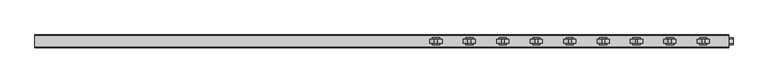
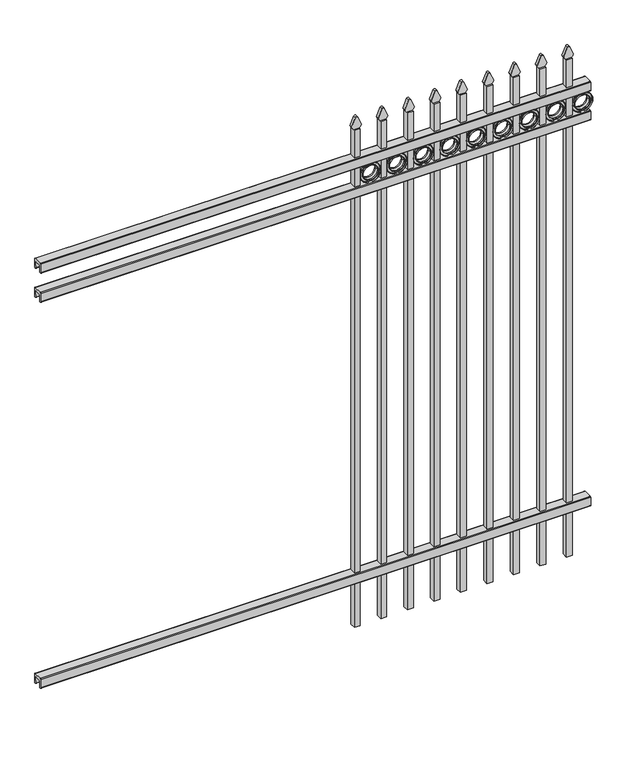
"""IFC4 building model written with IfcOpenShell, lengths in millimetres: railing geometry."""

from ifc_helpers import new_model, si_unit, point, frame, frame_2d, origin, place, context, project, spatial, polyline, circle_curve, trimmed, segment, composite_curve, outline, extrude, source, transform, mapped, element, save


def railing_517712b8(model_context):
    return source(origin(), model_context, "Body", "SweptSolid", [
        extrude(outline(composite_curve([segment(polyline([(7301.9139761, 304.8), (7339.969541, 304.8)]), True, "CONTINUOUS"), segment(trimmed(circle_curve(frame_2d((7339.969541, 301.625)), 3.175), [point((7339.969541, 304.8))], [point((7343.144541, 301.625))], False, "CARTESIAN"), True, "CONTINUOUS"), segment(polyline([(7343.144541, 301.625), (7343.144541, 262.1439893)]), True, "CONTINUOUS"), segment(trimmed(circle_curve(frame_2d((7341.3505518, 262.1439893)), 1.7939893), [point((7343.144541, 262.1439893))], [point((7341.3505518, 260.35))], False, "CARTESIAN"), True, "CONTINUOUS"), segment(polyline([(7341.3505518, 260.35), (7338.7590713, 260.35)]), True, "CONTINUOUS"), segment(trimmed(circle_curve(frame_2d((7338.7590713, 262.1359375)), 1.7859375), [point((7338.7590713, 260.35))], [point((7336.9755813, 262.0424688))], False, "CARTESIAN"), True, "CONTINUOUS"), segment(polyline([(7336.9755813, 262.0424688), (7335.4025867, 292.0569942), (7306.4364954, 292.0569942), (7304.8635007, 262.0424688)]), True, "CONTINUOUS"), segment(trimmed(circle_curve(frame_2d((7303.0800108, 262.1359375)), 1.7859375), [point((7304.8635007, 262.0424688))], [point((7303.0800108, 260.35))], False, "CARTESIAN"), True, "CONTINUOUS"), segment(polyline([(7303.0800108, 260.35), (7300.4804785, 260.35)]), True, "CONTINUOUS"), segment(trimmed(circle_curve(frame_2d((7300.4804785, 262.1359375)), 1.7859375), [point((7300.4804785, 260.35))], [point((7298.694541, 262.1359375))], False, "CARTESIAN"), True, "CONTINUOUS"), segment(polyline([(7298.694541, 262.1359375), (7298.694541, 301.5805649)]), True, "CONTINUOUS"), segment(trimmed(circle_curve(frame_2d((7301.9139761, 301.5805649)), 3.2194351), [point((7298.694541, 301.5805649))], [point((7301.9139761, 304.8))], False, "CARTESIAN"), True, "CONTINUOUS")], self_intersect=False)), frame((-23871.4649936, 0.0, 0.0), z_axis=(1.0, 0.0, 0.0), x_axis=(0.0, 1.0, 0.0)), (0.0, 0.0, 1.0), 2438.4),
        extrude(outline(composite_curve([segment(polyline([(7301.9139761, 2112.9625), (7339.969541, 2112.9625)]), True, "CONTINUOUS"), segment(trimmed(circle_curve(frame_2d((7339.969541, 2109.7875)), 3.175), [point((7339.969541, 2112.9625))], [point((7343.144541, 2109.7875))], False, "CARTESIAN"), True, "CONTINUOUS"), segment(polyline([(7343.144541, 2109.7875), (7343.144541, 2070.3064893)]), True, "CONTINUOUS"), segment(trimmed(circle_curve(frame_2d((7341.3505518, 2070.3064893)), 1.7939893), [point((7343.144541, 2070.3064893))], [point((7341.3505518, 2068.5125))], False, "CARTESIAN"), True, "CONTINUOUS"), segment(polyline([(7341.3505518, 2068.5125), (7338.7590713, 2068.5125)]), True, "CONTINUOUS"), segment(trimmed(circle_curve(frame_2d((7338.7590713, 2070.2984375)), 1.7859375), [point((7338.7590713, 2068.5125))], [point((7336.9755813, 2070.2049688))], False, "CARTESIAN"), True, "CONTINUOUS"), segment(polyline([(7336.9755813, 2070.2049688), (7335.4025867, 2100.2194942), (7306.4364954, 2100.2194942), (7304.8635007, 2070.2049688)]), True, "CONTINUOUS"), segment(trimmed(circle_curve(frame_2d((7303.0800108, 2070.2984375)), 1.7859375), [point((7304.8635007, 2070.2049688))], [point((7303.0800108, 2068.5125))], False, "CARTESIAN"), True, "CONTINUOUS"), segment(polyline([(7303.0800108, 2068.5125), (7300.4804785, 2068.5125)]), True, "CONTINUOUS"), segment(trimmed(circle_curve(frame_2d((7300.4804785, 2070.2984375)), 1.7859375), [point((7300.4804785, 2068.5125))], [point((7298.694541, 2070.2984375))], False, "CARTESIAN"), True, "CONTINUOUS"), segment(polyline([(7298.694541, 2070.2984375), (7298.694541, 2109.7430649)]), True, "CONTINUOUS"), segment(trimmed(circle_curve(frame_2d((7301.9139761, 2109.7430649)), 3.2194351), [point((7298.694541, 2109.7430649))], [point((7301.9139761, 2112.9625))], False, "CARTESIAN"), True, "CONTINUOUS")], self_intersect=False)), frame((-23871.4649936, 0.0, 0.0), z_axis=(1.0, 0.0, 0.0), x_axis=(0.0, 1.0, 0.0)), (0.0, 0.0, 1.0), 2438.4),
        extrude(outline(composite_curve([segment(polyline([(7301.9139761, 2249.4875), (7339.969541, 2249.4875)]), True, "CONTINUOUS"), segment(trimmed(circle_curve(frame_2d((7339.969541, 2246.3125)), 3.175), [point((7339.969541, 2249.4875))], [point((7343.144541, 2246.3125))], False, "CARTESIAN"), True, "CONTINUOUS"), segment(polyline([(7343.144541, 2246.3125), (7343.144541, 2206.8314893)]), True, "CONTINUOUS"), segment(trimmed(circle_curve(frame_2d((7341.3505518, 2206.8314893)), 1.7939893), [point((7343.144541, 2206.8314893))], [point((7341.3505518, 2205.0375))], False, "CARTESIAN"), True, "CONTINUOUS"), segment(polyline([(7341.3505518, 2205.0375), (7338.7590713, 2205.0375)]), True, "CONTINUOUS"), segment(trimmed(circle_curve(frame_2d((7338.7590713, 2206.8234375)), 1.7859375), [point((7338.7590713, 2205.0375))], [point((7336.9755813, 2206.7299688))], False, "CARTESIAN"), True, "CONTINUOUS"), segment(polyline([(7336.9755813, 2206.7299688), (7335.4025867, 2236.7444942), (7306.4364954, 2236.7444942), (7304.8635007, 2206.7299688)]), True, "CONTINUOUS"), segment(trimmed(circle_curve(frame_2d((7303.0800108, 2206.8234375)), 1.7859375), [point((7304.8635007, 2206.7299688))], [point((7303.0800108, 2205.0375))], False, "CARTESIAN"), True, "CONTINUOUS"), segment(polyline([(7303.0800108, 2205.0375), (7300.4804785, 2205.0375)]), True, "CONTINUOUS"), segment(trimmed(circle_curve(frame_2d((7300.4804785, 2206.8234375)), 1.7859375), [point((7300.4804785, 2205.0375))], [point((7298.694541, 2206.8234375))], False, "CARTESIAN"), True, "CONTINUOUS"), segment(polyline([(7298.694541, 2206.8234375), (7298.694541, 2246.2680649)]), True, "CONTINUOUS"), segment(trimmed(circle_curve(frame_2d((7301.9139761, 2246.2680649)), 3.2194351), [point((7298.694541, 2246.2680649))], [point((7301.9139761, 2249.4875))], False, "CARTESIAN"), True, "CONTINUOUS")], self_intersect=False)), frame((-23871.4649936, 0.0, 0.0), z_axis=(1.0, 0.0, 0.0), x_axis=(0.0, 1.0, 0.0)), (0.0, 0.0, 1.0), 2438.4),
        extrude(outline(composite_curve([segment(polyline([(2379.0798417, -21534.6649936), (2379.0798417, -21508.9743116)]), True, "CONTINUOUS"), segment(trimmed(circle_curve(frame_2d((2397.3299402, -21523.1372336)), 23.1009622), [point((2379.0798417, -21508.9743116))], [point((2391.8676176, -21500.6913545))], False, "CARTESIAN"), True, "CONTINUOUS"), segment(polyline([(2391.8676176, -21500.6913545), (2432.3555225, -21517.0105644)]), True, "CONTINUOUS"), segment(trimmed(circle_curve(frame_2d((2429.2045804, -21522.1405764)), 6.0204202), [point((2432.3555225, -21517.0105644))], [point((2432.3555225, -21527.2705884))], False, "CARTESIAN"), True, "CONTINUOUS"), segment(polyline([(2432.3555225, -21527.2705884), (2393.1339948, -21543.2187724)]), True, "CONTINUOUS"), segment(trimmed(circle_curve(frame_2d((2397.3299402, -21520.5020716)), 23.1009622), [point((2393.1339948, -21543.2187724))], [point((2379.0798417, -21534.6649936))], False, "CARTESIAN"), True, "CONTINUOUS")], self_intersect=False)), frame((0.0, 7314.569541, 0.0), z_axis=(0.0, 1.0, 0.0), x_axis=(0.0, 0.0, 1.0)), (0.0, 0.0, 1.0), 12.7),
        extrude(outline(composite_curve([segment(trimmed(circle_curve(frame_2d((2156.5853669, -21463.1692595)), 45.6988591), [point((2156.5853669, -21417.4704004))], [point((2156.5853669, -21508.8681186))], False, "CARTESIAN"), True, "CONTINUOUS"), segment(trimmed(circle_curve(frame_2d((2156.5853669, -21463.1692595)), 45.6988591), [point((2156.5853669, -21508.8681186))], [point((2156.5853669, -21417.4704004))], False, "CARTESIAN"), True, "CONTINUOUS")], self_intersect=False), holes=[composite_curve([segment(trimmed(circle_curve(frame_2d((2156.5853669, -21463.1692595)), 33.0443887), [point((2156.5853669, -21430.1248708))], [point((2156.5853669, -21496.2136482))], True, "CARTESIAN"), True, "CONTINUOUS"), segment(trimmed(circle_curve(frame_2d((2156.5853669, -21463.1692595)), 33.0443887), [point((2156.5853669, -21496.2136482))], [point((2156.5853669, -21430.1248708))], True, "CARTESIAN"), True, "CONTINUOUS")], self_intersect=False)]), frame((0.0, 7314.569541, 0.0), z_axis=(0.0, 1.0, 0.0), x_axis=(0.0, 0.0, 1.0)), (0.0, 0.0, 1.0), 12.7),
        extrude(outline(polyline([(-21534.6649936, 7333.619541), (-21509.2649936, 7333.619541), (-21509.2649936, 7308.219541), (-21534.6649936, 7308.219541), (-21534.6649936, 7333.619541)])), frame((0.0, 0.0, 50.8), z_axis=(0.0, 0.0, 1.0), x_axis=(1.0, 0.0, 0.0)), (0.0, 0.0, 1.0), 2328.0579232),
        extrude(outline(composite_curve([segment(trimmed(circle_curve(frame_2d((2156.5853669, -21463.1692595)), 45.6988591), [point((2156.5853669, -21417.4704004))], [point((2156.5853669, -21508.8681186))], False, "CARTESIAN"), True, "CONTINUOUS"), segment(trimmed(circle_curve(frame_2d((2156.5853669, -21463.1692595)), 45.6988591), [point((2156.5853669, -21508.8681186))], [point((2156.5853669, -21417.4704004))], False, "CARTESIAN"), True, "CONTINUOUS")], self_intersect=False), holes=[composite_curve([segment(trimmed(circle_curve(frame_2d((2156.5853669, -21463.1692595)), 44.101539), [point((2156.5853669, -21419.0677205))], [point((2156.5853669, -21507.2707985))], True, "CARTESIAN"), True, "CONTINUOUS"), segment(trimmed(circle_curve(frame_2d((2156.5853669, -21463.1692595)), 44.101539), [point((2156.5853669, -21507.2707985))], [point((2156.5853669, -21419.0677205))], True, "CARTESIAN"), True, "CONTINUOUS")], self_intersect=False)]), frame((0.0, 7308.219541, 0.0), z_axis=(0.0, 1.0, 0.0), x_axis=(0.0, 0.0, 1.0)), (0.0, 0.0, 1.0), 25.4),
        extrude(outline(composite_curve([segment(trimmed(circle_curve(frame_2d((2156.5853669, -21463.1692595)), 34.6370762), [point((2156.5853669, -21428.5321833))], [point((2156.5853669, -21497.8063357))], False, "CARTESIAN"), True, "CONTINUOUS"), segment(trimmed(circle_curve(frame_2d((2156.5853669, -21463.1692595)), 34.6370762), [point((2156.5853669, -21497.8063357))], [point((2156.5853669, -21428.5321833))], False, "CARTESIAN"), True, "CONTINUOUS")], self_intersect=False), holes=[composite_curve([segment(trimmed(circle_curve(frame_2d((2156.5853669, -21463.1692595)), 33.0443887), [point((2156.5853669, -21430.1248708))], [point((2156.5853669, -21496.2136482))], True, "CARTESIAN"), True, "CONTINUOUS"), segment(trimmed(circle_curve(frame_2d((2156.5853669, -21463.1692595)), 33.0443887), [point((2156.5853669, -21496.2136482))], [point((2156.5853669, -21430.1248708))], True, "CARTESIAN"), True, "CONTINUOUS")], self_intersect=False)]), frame((0.0, 7308.219541, 0.0), z_axis=(0.0, 1.0, 0.0), x_axis=(0.0, 0.0, 1.0)), (0.0, 0.0, 1.0), 25.4),
        extrude(outline(composite_curve([segment(polyline([(2379.0798417, -21652.1399936), (2379.0798417, -21626.4493116)]), True, "CONTINUOUS"), segment(trimmed(circle_curve(frame_2d((2397.3299402, -21640.6122336)), 23.1009622), [point((2379.0798417, -21626.4493116))], [point((2391.8676176, -21618.1663545))], False, "CARTESIAN"), True, "CONTINUOUS"), segment(polyline([(2391.8676176, -21618.1663545), (2432.3555225, -21634.4855644)]), True, "CONTINUOUS"), segment(trimmed(circle_curve(frame_2d((2429.2045804, -21639.6155764)), 6.0204202), [point((2432.3555225, -21634.4855644))], [point((2432.3555225, -21644.7455884))], False, "CARTESIAN"), True, "CONTINUOUS"), segment(polyline([(2432.3555225, -21644.7455884), (2393.1339948, -21660.6937724)]), True, "CONTINUOUS"), segment(trimmed(circle_curve(frame_2d((2397.3299402, -21637.9770716)), 23.1009622), [point((2393.1339948, -21660.6937724))], [point((2379.0798417, -21652.1399936))], False, "CARTESIAN"), True, "CONTINUOUS")], self_intersect=False)), frame((0.0, 7314.569541, 0.0), z_axis=(0.0, 1.0, 0.0), x_axis=(0.0, 0.0, 1.0)), (0.0, 0.0, 1.0), 12.7),
        extrude(outline(composite_curve([segment(trimmed(circle_curve(frame_2d((2156.5853669, -21580.6442595)), 45.6988591), [point((2156.5853669, -21534.9454004))], [point((2156.5853669, -21626.3431186))], False, "CARTESIAN"), True, "CONTINUOUS"), segment(trimmed(circle_curve(frame_2d((2156.5853669, -21580.6442595)), 45.6988591), [point((2156.5853669, -21626.3431186))], [point((2156.5853669, -21534.9454004))], False, "CARTESIAN"), True, "CONTINUOUS")], self_intersect=False), holes=[composite_curve([segment(trimmed(circle_curve(frame_2d((2156.5853669, -21580.6442595)), 33.0443887), [point((2156.5853669, -21547.5998708))], [point((2156.5853669, -21613.6886482))], True, "CARTESIAN"), True, "CONTINUOUS"), segment(trimmed(circle_curve(frame_2d((2156.5853669, -21580.6442595)), 33.0443887), [point((2156.5853669, -21613.6886482))], [point((2156.5853669, -21547.5998708))], True, "CARTESIAN"), True, "CONTINUOUS")], self_intersect=False)]), frame((0.0, 7314.569541, 0.0), z_axis=(0.0, 1.0, 0.0), x_axis=(0.0, 0.0, 1.0)), (0.0, 0.0, 1.0), 12.7),
        extrude(outline(polyline([(-21652.1399936, 7333.619541), (-21626.7399936, 7333.619541), (-21626.7399936, 7308.219541), (-21652.1399936, 7308.219541), (-21652.1399936, 7333.619541)])), frame((0.0, 0.0, 50.8), z_axis=(0.0, 0.0, 1.0), x_axis=(1.0, 0.0, 0.0)), (0.0, 0.0, 1.0), 2328.0579232),
        extrude(outline(composite_curve([segment(trimmed(circle_curve(frame_2d((2156.5853669, -21580.6442595)), 45.6988591), [point((2156.5853669, -21534.9454004))], [point((2156.5853669, -21626.3431186))], False, "CARTESIAN"), True, "CONTINUOUS"), segment(trimmed(circle_curve(frame_2d((2156.5853669, -21580.6442595)), 45.6988591), [point((2156.5853669, -21626.3431186))], [point((2156.5853669, -21534.9454004))], False, "CARTESIAN"), True, "CONTINUOUS")], self_intersect=False), holes=[composite_curve([segment(trimmed(circle_curve(frame_2d((2156.5853669, -21580.6442595)), 44.101539), [point((2156.5853669, -21536.5427205))], [point((2156.5853669, -21624.7457985))], True, "CARTESIAN"), True, "CONTINUOUS"), segment(trimmed(circle_curve(frame_2d((2156.5853669, -21580.6442595)), 44.101539), [point((2156.5853669, -21624.7457985))], [point((2156.5853669, -21536.5427205))], True, "CARTESIAN"), True, "CONTINUOUS")], self_intersect=False)]), frame((0.0, 7308.219541, 0.0), z_axis=(0.0, 1.0, 0.0), x_axis=(0.0, 0.0, 1.0)), (0.0, 0.0, 1.0), 25.4),
        extrude(outline(composite_curve([segment(trimmed(circle_curve(frame_2d((2156.5853669, -21580.6442595)), 34.6370762), [point((2156.5853669, -21546.0071833))], [point((2156.5853669, -21615.2813357))], False, "CARTESIAN"), True, "CONTINUOUS"), segment(trimmed(circle_curve(frame_2d((2156.5853669, -21580.6442595)), 34.6370762), [point((2156.5853669, -21615.2813357))], [point((2156.5853669, -21546.0071833))], False, "CARTESIAN"), True, "CONTINUOUS")], self_intersect=False), holes=[composite_curve([segment(trimmed(circle_curve(frame_2d((2156.5853669, -21580.6442595)), 33.0443887), [point((2156.5853669, -21547.5998708))], [point((2156.5853669, -21613.6886482))], True, "CARTESIAN"), True, "CONTINUOUS"), segment(trimmed(circle_curve(frame_2d((2156.5853669, -21580.6442595)), 33.0443887), [point((2156.5853669, -21613.6886482))], [point((2156.5853669, -21547.5998708))], True, "CARTESIAN"), True, "CONTINUOUS")], self_intersect=False)]), frame((0.0, 7308.219541, 0.0), z_axis=(0.0, 1.0, 0.0), x_axis=(0.0, 0.0, 1.0)), (0.0, 0.0, 1.0), 25.4),
        extrude(outline(composite_curve([segment(polyline([(2379.0798417, -21769.6149936), (2379.0798417, -21743.9243116)]), True, "CONTINUOUS"), segment(trimmed(circle_curve(frame_2d((2397.3299402, -21758.0872336)), 23.1009622), [point((2379.0798417, -21743.9243116))], [point((2391.8676176, -21735.6413545))], False, "CARTESIAN"), True, "CONTINUOUS"), segment(polyline([(2391.8676176, -21735.6413545), (2432.3555225, -21751.9605644)]), True, "CONTINUOUS"), segment(trimmed(circle_curve(frame_2d((2429.2045804, -21757.0905764)), 6.0204202), [point((2432.3555225, -21751.9605644))], [point((2432.3555225, -21762.2205884))], False, "CARTESIAN"), True, "CONTINUOUS"), segment(polyline([(2432.3555225, -21762.2205884), (2393.1339948, -21778.1687724)]), True, "CONTINUOUS"), segment(trimmed(circle_curve(frame_2d((2397.3299402, -21755.4520716)), 23.1009622), [point((2393.1339948, -21778.1687724))], [point((2379.0798417, -21769.6149936))], False, "CARTESIAN"), True, "CONTINUOUS")], self_intersect=False)), frame((0.0, 7314.569541, 0.0), z_axis=(0.0, 1.0, 0.0), x_axis=(0.0, 0.0, 1.0)), (0.0, 0.0, 1.0), 12.7),
        extrude(outline(composite_curve([segment(trimmed(circle_curve(frame_2d((2156.5853669, -21698.1192595)), 45.6988591), [point((2156.5853669, -21652.4204004))], [point((2156.5853669, -21743.8181186))], False, "CARTESIAN"), True, "CONTINUOUS"), segment(trimmed(circle_curve(frame_2d((2156.5853669, -21698.1192595)), 45.6988591), [point((2156.5853669, -21743.8181186))], [point((2156.5853669, -21652.4204004))], False, "CARTESIAN"), True, "CONTINUOUS")], self_intersect=False), holes=[composite_curve([segment(trimmed(circle_curve(frame_2d((2156.5853669, -21698.1192595)), 33.0443887), [point((2156.5853669, -21665.0748708))], [point((2156.5853669, -21731.1636482))], True, "CARTESIAN"), True, "CONTINUOUS"), segment(trimmed(circle_curve(frame_2d((2156.5853669, -21698.1192595)), 33.0443887), [point((2156.5853669, -21731.1636482))], [point((2156.5853669, -21665.0748708))], True, "CARTESIAN"), True, "CONTINUOUS")], self_intersect=False)]), frame((0.0, 7314.569541, 0.0), z_axis=(0.0, 1.0, 0.0), x_axis=(0.0, 0.0, 1.0)), (0.0, 0.0, 1.0), 12.7),
        extrude(outline(polyline([(-21769.6149936, 7333.619541), (-21744.2149936, 7333.619541), (-21744.2149936, 7308.219541), (-21769.6149936, 7308.219541), (-21769.6149936, 7333.619541)])), frame((0.0, 0.0, 50.8), z_axis=(0.0, 0.0, 1.0), x_axis=(1.0, 0.0, 0.0)), (0.0, 0.0, 1.0), 2328.0579232),
        extrude(outline(composite_curve([segment(trimmed(circle_curve(frame_2d((2156.5853669, -21698.1192595)), 45.6988591), [point((2156.5853669, -21652.4204004))], [point((2156.5853669, -21743.8181186))], False, "CARTESIAN"), True, "CONTINUOUS"), segment(trimmed(circle_curve(frame_2d((2156.5853669, -21698.1192595)), 45.6988591), [point((2156.5853669, -21743.8181186))], [point((2156.5853669, -21652.4204004))], False, "CARTESIAN"), True, "CONTINUOUS")], self_intersect=False), holes=[composite_curve([segment(trimmed(circle_curve(frame_2d((2156.5853669, -21698.1192595)), 44.101539), [point((2156.5853669, -21654.0177205))], [point((2156.5853669, -21742.2207985))], True, "CARTESIAN"), True, "CONTINUOUS"), segment(trimmed(circle_curve(frame_2d((2156.5853669, -21698.1192595)), 44.101539), [point((2156.5853669, -21742.2207985))], [point((2156.5853669, -21654.0177205))], True, "CARTESIAN"), True, "CONTINUOUS")], self_intersect=False)]), frame((0.0, 7308.219541, 0.0), z_axis=(0.0, 1.0, 0.0), x_axis=(0.0, 0.0, 1.0)), (0.0, 0.0, 1.0), 25.4),
        extrude(outline(composite_curve([segment(trimmed(circle_curve(frame_2d((2156.5853669, -21698.1192595)), 34.6370762), [point((2156.5853669, -21663.4821833))], [point((2156.5853669, -21732.7563357))], False, "CARTESIAN"), True, "CONTINUOUS"), segment(trimmed(circle_curve(frame_2d((2156.5853669, -21698.1192595)), 34.6370762), [point((2156.5853669, -21732.7563357))], [point((2156.5853669, -21663.4821833))], False, "CARTESIAN"), True, "CONTINUOUS")], self_intersect=False), holes=[composite_curve([segment(trimmed(circle_curve(frame_2d((2156.5853669, -21698.1192595)), 33.0443887), [point((2156.5853669, -21665.0748708))], [point((2156.5853669, -21731.1636482))], True, "CARTESIAN"), True, "CONTINUOUS"), segment(trimmed(circle_curve(frame_2d((2156.5853669, -21698.1192595)), 33.0443887), [point((2156.5853669, -21731.1636482))], [point((2156.5853669, -21665.0748708))], True, "CARTESIAN"), True, "CONTINUOUS")], self_intersect=False)]), frame((0.0, 7308.219541, 0.0), z_axis=(0.0, 1.0, 0.0), x_axis=(0.0, 0.0, 1.0)), (0.0, 0.0, 1.0), 25.4),
        extrude(outline(composite_curve([segment(polyline([(2379.0798417, -21887.0899936), (2379.0798417, -21861.3993116)]), True, "CONTINUOUS"), segment(trimmed(circle_curve(frame_2d((2397.3299402, -21875.5622336)), 23.1009622), [point((2379.0798417, -21861.3993116))], [point((2391.8676176, -21853.1163545))], False, "CARTESIAN"), True, "CONTINUOUS"), segment(polyline([(2391.8676176, -21853.1163545), (2432.3555225, -21869.4355644)]), True, "CONTINUOUS"), segment(trimmed(circle_curve(frame_2d((2429.2045804, -21874.5655764)), 6.0204202), [point((2432.3555225, -21869.4355644))], [point((2432.3555225, -21879.6955884))], False, "CARTESIAN"), True, "CONTINUOUS"), segment(polyline([(2432.3555225, -21879.6955884), (2393.1339948, -21895.6437724)]), True, "CONTINUOUS"), segment(trimmed(circle_curve(frame_2d((2397.3299402, -21872.9270716)), 23.1009622), [point((2393.1339948, -21895.6437724))], [point((2379.0798417, -21887.0899936))], False, "CARTESIAN"), True, "CONTINUOUS")], self_intersect=False)), frame((0.0, 7314.569541, 0.0), z_axis=(0.0, 1.0, 0.0), x_axis=(0.0, 0.0, 1.0)), (0.0, 0.0, 1.0), 12.7),
        extrude(outline(composite_curve([segment(trimmed(circle_curve(frame_2d((2156.5853669, -21815.5942595)), 45.6988591), [point((2156.5853669, -21769.8954004))], [point((2156.5853669, -21861.2931186))], False, "CARTESIAN"), True, "CONTINUOUS"), segment(trimmed(circle_curve(frame_2d((2156.5853669, -21815.5942595)), 45.6988591), [point((2156.5853669, -21861.2931186))], [point((2156.5853669, -21769.8954004))], False, "CARTESIAN"), True, "CONTINUOUS")], self_intersect=False), holes=[composite_curve([segment(trimmed(circle_curve(frame_2d((2156.5853669, -21815.5942595)), 33.0443887), [point((2156.5853669, -21782.5498708))], [point((2156.5853669, -21848.6386482))], True, "CARTESIAN"), True, "CONTINUOUS"), segment(trimmed(circle_curve(frame_2d((2156.5853669, -21815.5942595)), 33.0443887), [point((2156.5853669, -21848.6386482))], [point((2156.5853669, -21782.5498708))], True, "CARTESIAN"), True, "CONTINUOUS")], self_intersect=False)]), frame((0.0, 7314.569541, 0.0), z_axis=(0.0, 1.0, 0.0), x_axis=(0.0, 0.0, 1.0)), (0.0, 0.0, 1.0), 12.7),
        extrude(outline(polyline([(-21887.0899936, 7333.619541), (-21861.6899936, 7333.619541), (-21861.6899936, 7308.219541), (-21887.0899936, 7308.219541), (-21887.0899936, 7333.619541)])), frame((0.0, 0.0, 50.8), z_axis=(0.0, 0.0, 1.0), x_axis=(1.0, 0.0, 0.0)), (0.0, 0.0, 1.0), 2328.0579232),
        extrude(outline(composite_curve([segment(trimmed(circle_curve(frame_2d((2156.5853669, -21815.5942595)), 45.6988591), [point((2156.5853669, -21769.8954004))], [point((2156.5853669, -21861.2931186))], False, "CARTESIAN"), True, "CONTINUOUS"), segment(trimmed(circle_curve(frame_2d((2156.5853669, -21815.5942595)), 45.6988591), [point((2156.5853669, -21861.2931186))], [point((2156.5853669, -21769.8954004))], False, "CARTESIAN"), True, "CONTINUOUS")], self_intersect=False), holes=[composite_curve([segment(trimmed(circle_curve(frame_2d((2156.5853669, -21815.5942595)), 44.101539), [point((2156.5853669, -21771.4927205))], [point((2156.5853669, -21859.6957985))], True, "CARTESIAN"), True, "CONTINUOUS"), segment(trimmed(circle_curve(frame_2d((2156.5853669, -21815.5942595)), 44.101539), [point((2156.5853669, -21859.6957985))], [point((2156.5853669, -21771.4927205))], True, "CARTESIAN"), True, "CONTINUOUS")], self_intersect=False)]), frame((0.0, 7308.219541, 0.0), z_axis=(0.0, 1.0, 0.0), x_axis=(0.0, 0.0, 1.0)), (0.0, 0.0, 1.0), 25.4),
        extrude(outline(composite_curve([segment(trimmed(circle_curve(frame_2d((2156.5853669, -21815.5942595)), 34.6370762), [point((2156.5853669, -21780.9571833))], [point((2156.5853669, -21850.2313357))], False, "CARTESIAN"), True, "CONTINUOUS"), segment(trimmed(circle_curve(frame_2d((2156.5853669, -21815.5942595)), 34.6370762), [point((2156.5853669, -21850.2313357))], [point((2156.5853669, -21780.9571833))], False, "CARTESIAN"), True, "CONTINUOUS")], self_intersect=False), holes=[composite_curve([segment(trimmed(circle_curve(frame_2d((2156.5853669, -21815.5942595)), 33.0443887), [point((2156.5853669, -21782.5498708))], [point((2156.5853669, -21848.6386482))], True, "CARTESIAN"), True, "CONTINUOUS"), segment(trimmed(circle_curve(frame_2d((2156.5853669, -21815.5942595)), 33.0443887), [point((2156.5853669, -21848.6386482))], [point((2156.5853669, -21782.5498708))], True, "CARTESIAN"), True, "CONTINUOUS")], self_intersect=False)]), frame((0.0, 7308.219541, 0.0), z_axis=(0.0, 1.0, 0.0), x_axis=(0.0, 0.0, 1.0)), (0.0, 0.0, 1.0), 25.4),
        extrude(outline(composite_curve([segment(polyline([(2379.0798417, -22004.5649936), (2379.0798417, -21978.8743116)]), True, "CONTINUOUS"), segment(trimmed(circle_curve(frame_2d((2397.3299402, -21993.0372336)), 23.1009622), [point((2379.0798417, -21978.8743116))], [point((2391.8676176, -21970.5913545))], False, "CARTESIAN"), True, "CONTINUOUS"), segment(polyline([(2391.8676176, -21970.5913545), (2432.3555225, -21986.9105644)]), True, "CONTINUOUS"), segment(trimmed(circle_curve(frame_2d((2429.2045804, -21992.0405764)), 6.0204202), [point((2432.3555225, -21986.9105644))], [point((2432.3555225, -21997.1705884))], False, "CARTESIAN"), True, "CONTINUOUS"), segment(polyline([(2432.3555225, -21997.1705884), (2393.1339948, -22013.1187724)]), True, "CONTINUOUS"), segment(trimmed(circle_curve(frame_2d((2397.3299402, -21990.4020716)), 23.1009622), [point((2393.1339948, -22013.1187724))], [point((2379.0798417, -22004.5649936))], False, "CARTESIAN"), True, "CONTINUOUS")], self_intersect=False)), frame((0.0, 7314.569541, 0.0), z_axis=(0.0, 1.0, 0.0), x_axis=(0.0, 0.0, 1.0)), (0.0, 0.0, 1.0), 12.7),
        extrude(outline(composite_curve([segment(trimmed(circle_curve(frame_2d((2156.5853669, -21933.0692595)), 45.6988591), [point((2156.5853669, -21887.3704004))], [point((2156.5853669, -21978.7681186))], False, "CARTESIAN"), True, "CONTINUOUS"), segment(trimmed(circle_curve(frame_2d((2156.5853669, -21933.0692595)), 45.6988591), [point((2156.5853669, -21978.7681186))], [point((2156.5853669, -21887.3704004))], False, "CARTESIAN"), True, "CONTINUOUS")], self_intersect=False), holes=[composite_curve([segment(trimmed(circle_curve(frame_2d((2156.5853669, -21933.0692595)), 33.0443887), [point((2156.5853669, -21900.0248708))], [point((2156.5853669, -21966.1136482))], True, "CARTESIAN"), True, "CONTINUOUS"), segment(trimmed(circle_curve(frame_2d((2156.5853669, -21933.0692595)), 33.0443887), [point((2156.5853669, -21966.1136482))], [point((2156.5853669, -21900.0248708))], True, "CARTESIAN"), True, "CONTINUOUS")], self_intersect=False)]), frame((0.0, 7314.569541, 0.0), z_axis=(0.0, 1.0, 0.0), x_axis=(0.0, 0.0, 1.0)), (0.0, 0.0, 1.0), 12.7),
        extrude(outline(polyline([(-22004.5649936, 7333.619541), (-21979.1649936, 7333.619541), (-21979.1649936, 7308.219541), (-22004.5649936, 7308.219541), (-22004.5649936, 7333.619541)])), frame((0.0, 0.0, 50.8), z_axis=(0.0, 0.0, 1.0), x_axis=(1.0, 0.0, 0.0)), (0.0, 0.0, 1.0), 2328.0579232),
        extrude(outline(composite_curve([segment(trimmed(circle_curve(frame_2d((2156.5853669, -21933.0692595)), 45.6988591), [point((2156.5853669, -21887.3704004))], [point((2156.5853669, -21978.7681186))], False, "CARTESIAN"), True, "CONTINUOUS"), segment(trimmed(circle_curve(frame_2d((2156.5853669, -21933.0692595)), 45.6988591), [point((2156.5853669, -21978.7681186))], [point((2156.5853669, -21887.3704004))], False, "CARTESIAN"), True, "CONTINUOUS")], self_intersect=False), holes=[composite_curve([segment(trimmed(circle_curve(frame_2d((2156.5853669, -21933.0692595)), 44.101539), [point((2156.5853669, -21888.9677205))], [point((2156.5853669, -21977.1707985))], True, "CARTESIAN"), True, "CONTINUOUS"), segment(trimmed(circle_curve(frame_2d((2156.5853669, -21933.0692595)), 44.101539), [point((2156.5853669, -21977.1707985))], [point((2156.5853669, -21888.9677205))], True, "CARTESIAN"), True, "CONTINUOUS")], self_intersect=False)]), frame((0.0, 7308.219541, 0.0), z_axis=(0.0, 1.0, 0.0), x_axis=(0.0, 0.0, 1.0)), (0.0, 0.0, 1.0), 25.4),
        extrude(outline(composite_curve([segment(trimmed(circle_curve(frame_2d((2156.5853669, -21933.0692595)), 34.6370762), [point((2156.5853669, -21898.4321833))], [point((2156.5853669, -21967.7063357))], False, "CARTESIAN"), True, "CONTINUOUS"), segment(trimmed(circle_curve(frame_2d((2156.5853669, -21933.0692595)), 34.6370762), [point((2156.5853669, -21967.7063357))], [point((2156.5853669, -21898.4321833))], False, "CARTESIAN"), True, "CONTINUOUS")], self_intersect=False), holes=[composite_curve([segment(trimmed(circle_curve(frame_2d((2156.5853669, -21933.0692595)), 33.0443887), [point((2156.5853669, -21900.0248708))], [point((2156.5853669, -21966.1136482))], True, "CARTESIAN"), True, "CONTINUOUS"), segment(trimmed(circle_curve(frame_2d((2156.5853669, -21933.0692595)), 33.0443887), [point((2156.5853669, -21966.1136482))], [point((2156.5853669, -21900.0248708))], True, "CARTESIAN"), True, "CONTINUOUS")], self_intersect=False)]), frame((0.0, 7308.219541, 0.0), z_axis=(0.0, 1.0, 0.0), x_axis=(0.0, 0.0, 1.0)), (0.0, 0.0, 1.0), 25.4),
        extrude(outline(composite_curve([segment(polyline([(2379.0798417, -22122.0399936), (2379.0798417, -22096.3493116)]), True, "CONTINUOUS"), segment(trimmed(circle_curve(frame_2d((2397.3299402, -22110.5122336)), 23.1009622), [point((2379.0798417, -22096.3493116))], [point((2391.8676176, -22088.0663545))], False, "CARTESIAN"), True, "CONTINUOUS"), segment(polyline([(2391.8676176, -22088.0663545), (2432.3555225, -22104.3855644)]), True, "CONTINUOUS"), segment(trimmed(circle_curve(frame_2d((2429.2045804, -22109.5155764)), 6.0204202), [point((2432.3555225, -22104.3855644))], [point((2432.3555225, -22114.6455884))], False, "CARTESIAN"), True, "CONTINUOUS"), segment(polyline([(2432.3555225, -22114.6455884), (2393.1339948, -22130.5937724)]), True, "CONTINUOUS"), segment(trimmed(circle_curve(frame_2d((2397.3299402, -22107.8770716)), 23.1009622), [point((2393.1339948, -22130.5937724))], [point((2379.0798417, -22122.0399936))], False, "CARTESIAN"), True, "CONTINUOUS")], self_intersect=False)), frame((0.0, 7314.569541, 0.0), z_axis=(0.0, 1.0, 0.0), x_axis=(0.0, 0.0, 1.0)), (0.0, 0.0, 1.0), 12.7),
        extrude(outline(composite_curve([segment(trimmed(circle_curve(frame_2d((2156.5853669, -22050.5442595)), 45.6988591), [point((2156.5853669, -22004.8454004))], [point((2156.5853669, -22096.2431186))], False, "CARTESIAN"), True, "CONTINUOUS"), segment(trimmed(circle_curve(frame_2d((2156.5853669, -22050.5442595)), 45.6988591), [point((2156.5853669, -22096.2431186))], [point((2156.5853669, -22004.8454004))], False, "CARTESIAN"), True, "CONTINUOUS")], self_intersect=False), holes=[composite_curve([segment(trimmed(circle_curve(frame_2d((2156.5853669, -22050.5442595)), 33.0443887), [point((2156.5853669, -22017.4998708))], [point((2156.5853669, -22083.5886482))], True, "CARTESIAN"), True, "CONTINUOUS"), segment(trimmed(circle_curve(frame_2d((2156.5853669, -22050.5442595)), 33.0443887), [point((2156.5853669, -22083.5886482))], [point((2156.5853669, -22017.4998708))], True, "CARTESIAN"), True, "CONTINUOUS")], self_intersect=False)]), frame((0.0, 7314.569541, 0.0), z_axis=(0.0, 1.0, 0.0), x_axis=(0.0, 0.0, 1.0)), (0.0, 0.0, 1.0), 12.7),
        extrude(outline(polyline([(-22122.0399936, 7333.619541), (-22096.6399936, 7333.619541), (-22096.6399936, 7308.219541), (-22122.0399936, 7308.219541), (-22122.0399936, 7333.619541)])), frame((0.0, 0.0, 50.8), z_axis=(0.0, 0.0, 1.0), x_axis=(1.0, 0.0, 0.0)), (0.0, 0.0, 1.0), 2328.0579232),
        extrude(outline(composite_curve([segment(trimmed(circle_curve(frame_2d((2156.5853669, -22050.5442595)), 45.6988591), [point((2156.5853669, -22004.8454004))], [point((2156.5853669, -22096.2431186))], False, "CARTESIAN"), True, "CONTINUOUS"), segment(trimmed(circle_curve(frame_2d((2156.5853669, -22050.5442595)), 45.6988591), [point((2156.5853669, -22096.2431186))], [point((2156.5853669, -22004.8454004))], False, "CARTESIAN"), True, "CONTINUOUS")], self_intersect=False), holes=[composite_curve([segment(trimmed(circle_curve(frame_2d((2156.5853669, -22050.5442595)), 44.101539), [point((2156.5853669, -22006.4427205))], [point((2156.5853669, -22094.6457985))], True, "CARTESIAN"), True, "CONTINUOUS"), segment(trimmed(circle_curve(frame_2d((2156.5853669, -22050.5442595)), 44.101539), [point((2156.5853669, -22094.6457985))], [point((2156.5853669, -22006.4427205))], True, "CARTESIAN"), True, "CONTINUOUS")], self_intersect=False)]), frame((0.0, 7308.219541, 0.0), z_axis=(0.0, 1.0, 0.0), x_axis=(0.0, 0.0, 1.0)), (0.0, 0.0, 1.0), 25.4),
        extrude(outline(composite_curve([segment(trimmed(circle_curve(frame_2d((2156.5853669, -22050.5442595)), 34.6370762), [point((2156.5853669, -22015.9071833))], [point((2156.5853669, -22085.1813357))], False, "CARTESIAN"), True, "CONTINUOUS"), segment(trimmed(circle_curve(frame_2d((2156.5853669, -22050.5442595)), 34.6370762), [point((2156.5853669, -22085.1813357))], [point((2156.5853669, -22015.9071833))], False, "CARTESIAN"), True, "CONTINUOUS")], self_intersect=False), holes=[composite_curve([segment(trimmed(circle_curve(frame_2d((2156.5853669, -22050.5442595)), 33.0443887), [point((2156.5853669, -22017.4998708))], [point((2156.5853669, -22083.5886482))], True, "CARTESIAN"), True, "CONTINUOUS"), segment(trimmed(circle_curve(frame_2d((2156.5853669, -22050.5442595)), 33.0443887), [point((2156.5853669, -22083.5886482))], [point((2156.5853669, -22017.4998708))], True, "CARTESIAN"), True, "CONTINUOUS")], self_intersect=False)]), frame((0.0, 7308.219541, 0.0), z_axis=(0.0, 1.0, 0.0), x_axis=(0.0, 0.0, 1.0)), (0.0, 0.0, 1.0), 25.4),
        extrude(outline(composite_curve([segment(polyline([(2379.0798417, -22239.5149936), (2379.0798417, -22213.8243116)]), True, "CONTINUOUS"), segment(trimmed(circle_curve(frame_2d((2397.3299402, -22227.9872336)), 23.1009622), [point((2379.0798417, -22213.8243116))], [point((2391.8676176, -22205.5413545))], False, "CARTESIAN"), True, "CONTINUOUS"), segment(polyline([(2391.8676176, -22205.5413545), (2432.3555225, -22221.8605644)]), True, "CONTINUOUS"), segment(trimmed(circle_curve(frame_2d((2429.2045804, -22226.9905764)), 6.0204202), [point((2432.3555225, -22221.8605644))], [point((2432.3555225, -22232.1205884))], False, "CARTESIAN"), True, "CONTINUOUS"), segment(polyline([(2432.3555225, -22232.1205884), (2393.1339948, -22248.0687724)]), True, "CONTINUOUS"), segment(trimmed(circle_curve(frame_2d((2397.3299402, -22225.3520716)), 23.1009622), [point((2393.1339948, -22248.0687724))], [point((2379.0798417, -22239.5149936))], False, "CARTESIAN"), True, "CONTINUOUS")], self_intersect=False)), frame((0.0, 7314.569541, 0.0), z_axis=(0.0, 1.0, 0.0), x_axis=(0.0, 0.0, 1.0)), (0.0, 0.0, 1.0), 12.7),
        extrude(outline(composite_curve([segment(trimmed(circle_curve(frame_2d((2156.5853669, -22168.0192595)), 45.6988591), [point((2156.5853669, -22122.3204004))], [point((2156.5853669, -22213.7181186))], False, "CARTESIAN"), True, "CONTINUOUS"), segment(trimmed(circle_curve(frame_2d((2156.5853669, -22168.0192595)), 45.6988591), [point((2156.5853669, -22213.7181186))], [point((2156.5853669, -22122.3204004))], False, "CARTESIAN"), True, "CONTINUOUS")], self_intersect=False), holes=[composite_curve([segment(trimmed(circle_curve(frame_2d((2156.5853669, -22168.0192595)), 33.0443887), [point((2156.5853669, -22134.9748708))], [point((2156.5853669, -22201.0636482))], True, "CARTESIAN"), True, "CONTINUOUS"), segment(trimmed(circle_curve(frame_2d((2156.5853669, -22168.0192595)), 33.0443887), [point((2156.5853669, -22201.0636482))], [point((2156.5853669, -22134.9748708))], True, "CARTESIAN"), True, "CONTINUOUS")], self_intersect=False)]), frame((0.0, 7314.569541, 0.0), z_axis=(0.0, 1.0, 0.0), x_axis=(0.0, 0.0, 1.0)), (0.0, 0.0, 1.0), 12.7),
        extrude(outline(polyline([(-22239.5149936, 7333.619541), (-22214.1149936, 7333.619541), (-22214.1149936, 7308.219541), (-22239.5149936, 7308.219541), (-22239.5149936, 7333.619541)])), frame((0.0, 0.0, 50.8), z_axis=(0.0, 0.0, 1.0), x_axis=(1.0, 0.0, 0.0)), (0.0, 0.0, 1.0), 2328.0579232),
        extrude(outline(composite_curve([segment(trimmed(circle_curve(frame_2d((2156.5853669, -22168.0192595)), 45.6988591), [point((2156.5853669, -22122.3204004))], [point((2156.5853669, -22213.7181186))], False, "CARTESIAN"), True, "CONTINUOUS"), segment(trimmed(circle_curve(frame_2d((2156.5853669, -22168.0192595)), 45.6988591), [point((2156.5853669, -22213.7181186))], [point((2156.5853669, -22122.3204004))], False, "CARTESIAN"), True, "CONTINUOUS")], self_intersect=False), holes=[composite_curve([segment(trimmed(circle_curve(frame_2d((2156.5853669, -22168.0192595)), 44.101539), [point((2156.5853669, -22123.9177205))], [point((2156.5853669, -22212.1207985))], True, "CARTESIAN"), True, "CONTINUOUS"), segment(trimmed(circle_curve(frame_2d((2156.5853669, -22168.0192595)), 44.101539), [point((2156.5853669, -22212.1207985))], [point((2156.5853669, -22123.9177205))], True, "CARTESIAN"), True, "CONTINUOUS")], self_intersect=False)]), frame((0.0, 7308.219541, 0.0), z_axis=(0.0, 1.0, 0.0), x_axis=(0.0, 0.0, 1.0)), (0.0, 0.0, 1.0), 25.4),
        extrude(outline(composite_curve([segment(trimmed(circle_curve(frame_2d((2156.5853669, -22168.0192595)), 34.6370762), [point((2156.5853669, -22133.3821833))], [point((2156.5853669, -22202.6563357))], False, "CARTESIAN"), True, "CONTINUOUS"), segment(trimmed(circle_curve(frame_2d((2156.5853669, -22168.0192595)), 34.6370762), [point((2156.5853669, -22202.6563357))], [point((2156.5853669, -22133.3821833))], False, "CARTESIAN"), True, "CONTINUOUS")], self_intersect=False), holes=[composite_curve([segment(trimmed(circle_curve(frame_2d((2156.5853669, -22168.0192595)), 33.0443887), [point((2156.5853669, -22134.9748708))], [point((2156.5853669, -22201.0636482))], True, "CARTESIAN"), True, "CONTINUOUS"), segment(trimmed(circle_curve(frame_2d((2156.5853669, -22168.0192595)), 33.0443887), [point((2156.5853669, -22201.0636482))], [point((2156.5853669, -22134.9748708))], True, "CARTESIAN"), True, "CONTINUOUS")], self_intersect=False)]), frame((0.0, 7308.219541, 0.0), z_axis=(0.0, 1.0, 0.0), x_axis=(0.0, 0.0, 1.0)), (0.0, 0.0, 1.0), 25.4),
        extrude(outline(composite_curve([segment(polyline([(2379.0798417, -22356.9899936), (2379.0798417, -22331.2993116)]), True, "CONTINUOUS"), segment(trimmed(circle_curve(frame_2d((2397.3299402, -22345.4622336)), 23.1009622), [point((2379.0798417, -22331.2993116))], [point((2391.8676176, -22323.0163545))], False, "CARTESIAN"), True, "CONTINUOUS"), segment(polyline([(2391.8676176, -22323.0163545), (2432.3555225, -22339.3355644)]), True, "CONTINUOUS"), segment(trimmed(circle_curve(frame_2d((2429.2045804, -22344.4655764)), 6.0204202), [point((2432.3555225, -22339.3355644))], [point((2432.3555225, -22349.5955884))], False, "CARTESIAN"), True, "CONTINUOUS"), segment(polyline([(2432.3555225, -22349.5955884), (2393.1339948, -22365.5437724)]), True, "CONTINUOUS"), segment(trimmed(circle_curve(frame_2d((2397.3299402, -22342.8270716)), 23.1009622), [point((2393.1339948, -22365.5437724))], [point((2379.0798417, -22356.9899936))], False, "CARTESIAN"), True, "CONTINUOUS")], self_intersect=False)), frame((0.0, 7314.569541, 0.0), z_axis=(0.0, 1.0, 0.0), x_axis=(0.0, 0.0, 1.0)), (0.0, 0.0, 1.0), 12.7),
        extrude(outline(composite_curve([segment(trimmed(circle_curve(frame_2d((2156.5853669, -22285.4942595)), 45.6988591), [point((2156.5853669, -22239.7954004))], [point((2156.5853669, -22331.1931186))], False, "CARTESIAN"), True, "CONTINUOUS"), segment(trimmed(circle_curve(frame_2d((2156.5853669, -22285.4942595)), 45.6988591), [point((2156.5853669, -22331.1931186))], [point((2156.5853669, -22239.7954004))], False, "CARTESIAN"), True, "CONTINUOUS")], self_intersect=False), holes=[composite_curve([segment(trimmed(circle_curve(frame_2d((2156.5853669, -22285.4942595)), 33.0443887), [point((2156.5853669, -22252.4498708))], [point((2156.5853669, -22318.5386482))], True, "CARTESIAN"), True, "CONTINUOUS"), segment(trimmed(circle_curve(frame_2d((2156.5853669, -22285.4942595)), 33.0443887), [point((2156.5853669, -22318.5386482))], [point((2156.5853669, -22252.4498708))], True, "CARTESIAN"), True, "CONTINUOUS")], self_intersect=False)]), frame((0.0, 7314.569541, 0.0), z_axis=(0.0, 1.0, 0.0), x_axis=(0.0, 0.0, 1.0)), (0.0, 0.0, 1.0), 12.7),
        extrude(outline(polyline([(-22356.9899936, 7333.619541), (-22331.5899936, 7333.619541), (-22331.5899936, 7308.219541), (-22356.9899936, 7308.219541), (-22356.9899936, 7333.619541)])), frame((0.0, 0.0, 50.8), z_axis=(0.0, 0.0, 1.0), x_axis=(1.0, 0.0, 0.0)), (0.0, 0.0, 1.0), 2328.0579232),
        extrude(outline(composite_curve([segment(trimmed(circle_curve(frame_2d((2156.5853669, -22285.4942595)), 45.6988591), [point((2156.5853669, -22239.7954004))], [point((2156.5853669, -22331.1931186))], False, "CARTESIAN"), True, "CONTINUOUS"), segment(trimmed(circle_curve(frame_2d((2156.5853669, -22285.4942595)), 45.6988591), [point((2156.5853669, -22331.1931186))], [point((2156.5853669, -22239.7954004))], False, "CARTESIAN"), True, "CONTINUOUS")], self_intersect=False), holes=[composite_curve([segment(trimmed(circle_curve(frame_2d((2156.5853669, -22285.4942595)), 44.101539), [point((2156.5853669, -22241.3927205))], [point((2156.5853669, -22329.5957985))], True, "CARTESIAN"), True, "CONTINUOUS"), segment(trimmed(circle_curve(frame_2d((2156.5853669, -22285.4942595)), 44.101539), [point((2156.5853669, -22329.5957985))], [point((2156.5853669, -22241.3927205))], True, "CARTESIAN"), True, "CONTINUOUS")], self_intersect=False)]), frame((0.0, 7308.219541, 0.0), z_axis=(0.0, 1.0, 0.0), x_axis=(0.0, 0.0, 1.0)), (0.0, 0.0, 1.0), 25.4),
        extrude(outline(composite_curve([segment(trimmed(circle_curve(frame_2d((2156.5853669, -22285.4942595)), 34.6370762), [point((2156.5853669, -22250.8571833))], [point((2156.5853669, -22320.1313357))], False, "CARTESIAN"), True, "CONTINUOUS"), segment(trimmed(circle_curve(frame_2d((2156.5853669, -22285.4942595)), 34.6370762), [point((2156.5853669, -22320.1313357))], [point((2156.5853669, -22250.8571833))], False, "CARTESIAN"), True, "CONTINUOUS")], self_intersect=False), holes=[composite_curve([segment(trimmed(circle_curve(frame_2d((2156.5853669, -22285.4942595)), 33.0443887), [point((2156.5853669, -22252.4498708))], [point((2156.5853669, -22318.5386482))], True, "CARTESIAN"), True, "CONTINUOUS"), segment(trimmed(circle_curve(frame_2d((2156.5853669, -22285.4942595)), 33.0443887), [point((2156.5853669, -22318.5386482))], [point((2156.5853669, -22252.4498708))], True, "CARTESIAN"), True, "CONTINUOUS")], self_intersect=False)]), frame((0.0, 7308.219541, 0.0), z_axis=(0.0, 1.0, 0.0), x_axis=(0.0, 0.0, 1.0)), (0.0, 0.0, 1.0), 25.4),
        extrude(outline(composite_curve([segment(polyline([(2379.0798417, -22474.4649936), (2379.0798417, -22448.7743116)]), True, "CONTINUOUS"), segment(trimmed(circle_curve(frame_2d((2397.3299402, -22462.9372336)), 23.1009622), [point((2379.0798417, -22448.7743116))], [point((2391.8676176, -22440.4913545))], False, "CARTESIAN"), True, "CONTINUOUS"), segment(polyline([(2391.8676176, -22440.4913545), (2432.3555225, -22456.8105644)]), True, "CONTINUOUS"), segment(trimmed(circle_curve(frame_2d((2429.2045804, -22461.9405764)), 6.0204202), [point((2432.3555225, -22456.8105644))], [point((2432.3555225, -22467.0705884))], False, "CARTESIAN"), True, "CONTINUOUS"), segment(polyline([(2432.3555225, -22467.0705884), (2393.1339948, -22483.0187724)]), True, "CONTINUOUS"), segment(trimmed(circle_curve(frame_2d((2397.3299402, -22460.3020716)), 23.1009622), [point((2393.1339948, -22483.0187724))], [point((2379.0798417, -22474.4649936))], False, "CARTESIAN"), True, "CONTINUOUS")], self_intersect=False)), frame((0.0, 7314.569541, 0.0), z_axis=(0.0, 1.0, 0.0), x_axis=(0.0, 0.0, 1.0)), (0.0, 0.0, 1.0), 12.7),
        extrude(outline(composite_curve([segment(trimmed(circle_curve(frame_2d((2156.5853669, -22402.9692595)), 45.6988591), [point((2156.5853669, -22357.2704004))], [point((2156.5853669, -22448.6681186))], False, "CARTESIAN"), True, "CONTINUOUS"), segment(trimmed(circle_curve(frame_2d((2156.5853669, -22402.9692595)), 45.6988591), [point((2156.5853669, -22448.6681186))], [point((2156.5853669, -22357.2704004))], False, "CARTESIAN"), True, "CONTINUOUS")], self_intersect=False), holes=[composite_curve([segment(trimmed(circle_curve(frame_2d((2156.5853669, -22402.9692595)), 33.0443887), [point((2156.5853669, -22369.9248708))], [point((2156.5853669, -22436.0136482))], True, "CARTESIAN"), True, "CONTINUOUS"), segment(trimmed(circle_curve(frame_2d((2156.5853669, -22402.9692595)), 33.0443887), [point((2156.5853669, -22436.0136482))], [point((2156.5853669, -22369.9248708))], True, "CARTESIAN"), True, "CONTINUOUS")], self_intersect=False)]), frame((0.0, 7314.569541, 0.0), z_axis=(0.0, 1.0, 0.0), x_axis=(0.0, 0.0, 1.0)), (0.0, 0.0, 1.0), 12.7),
        extrude(outline(polyline([(-22474.4649936, 7333.619541), (-22449.0649936, 7333.619541), (-22449.0649936, 7308.219541), (-22474.4649936, 7308.219541), (-22474.4649936, 7333.619541)])), frame((0.0, 0.0, 50.8), z_axis=(0.0, 0.0, 1.0), x_axis=(1.0, 0.0, 0.0)), (0.0, 0.0, 1.0), 2328.0579232),
        extrude(outline(composite_curve([segment(trimmed(circle_curve(frame_2d((2156.5853669, -22402.9692595)), 45.6988591), [point((2156.5853669, -22357.2704004))], [point((2156.5853669, -22448.6681186))], False, "CARTESIAN"), True, "CONTINUOUS"), segment(trimmed(circle_curve(frame_2d((2156.5853669, -22402.9692595)), 45.6988591), [point((2156.5853669, -22448.6681186))], [point((2156.5853669, -22357.2704004))], False, "CARTESIAN"), True, "CONTINUOUS")], self_intersect=False), holes=[composite_curve([segment(trimmed(circle_curve(frame_2d((2156.5853669, -22402.9692595)), 44.101539), [point((2156.5853669, -22358.8677205))], [point((2156.5853669, -22447.0707985))], True, "CARTESIAN"), True, "CONTINUOUS"), segment(trimmed(circle_curve(frame_2d((2156.5853669, -22402.9692595)), 44.101539), [point((2156.5853669, -22447.0707985))], [point((2156.5853669, -22358.8677205))], True, "CARTESIAN"), True, "CONTINUOUS")], self_intersect=False)]), frame((0.0, 7308.219541, 0.0), z_axis=(0.0, 1.0, 0.0), x_axis=(0.0, 0.0, 1.0)), (0.0, 0.0, 1.0), 25.4),
        extrude(outline(composite_curve([segment(trimmed(circle_curve(frame_2d((2156.5853669, -22402.9692595)), 34.6370762), [point((2156.5853669, -22368.3321833))], [point((2156.5853669, -22437.6063357))], False, "CARTESIAN"), True, "CONTINUOUS"), segment(trimmed(circle_curve(frame_2d((2156.5853669, -22402.9692595)), 34.6370762), [point((2156.5853669, -22437.6063357))], [point((2156.5853669, -22368.3321833))], False, "CARTESIAN"), True, "CONTINUOUS")], self_intersect=False), holes=[composite_curve([segment(trimmed(circle_curve(frame_2d((2156.5853669, -22402.9692595)), 33.0443887), [point((2156.5853669, -22369.9248708))], [point((2156.5853669, -22436.0136482))], True, "CARTESIAN"), True, "CONTINUOUS"), segment(trimmed(circle_curve(frame_2d((2156.5853669, -22402.9692595)), 33.0443887), [point((2156.5853669, -22436.0136482))], [point((2156.5853669, -22369.9248708))], True, "CARTESIAN"), True, "CONTINUOUS")], self_intersect=False)]), frame((0.0, 7308.219541, 0.0), z_axis=(0.0, 1.0, 0.0), x_axis=(0.0, 0.0, 1.0)), (0.0, 0.0, 1.0), 25.4),
    ])


if __name__ == "__main__":
    model = new_model("IFC4")
    model_context = context("Model", 3, world=origin())
    ifc_project = project(units=[si_unit("LENGTHUNIT", "METRE", prefix="MILLI")], contexts=[model_context])
    site = spatial("IfcSite", under=ifc_project)
    building = spatial("IfcBuilding", under=site)
    placement = place(None, origin())
    railing_shape = railing_517712b8(model_context)
    element("IfcRailing", 1, at=placement, inside=building, context=model_context, shape_type="MappedRepresentation", body=[
        mapped(railing_shape, transform((0.0, 0.0, 0.0), x_axis=(1.0, 0.0, 0.0), y_axis=(0.0, 1.0, 0.0), z_axis=(0.0, 0.0, 1.0))),
    ])
    save(model, "model.ifc")
